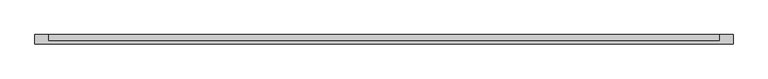
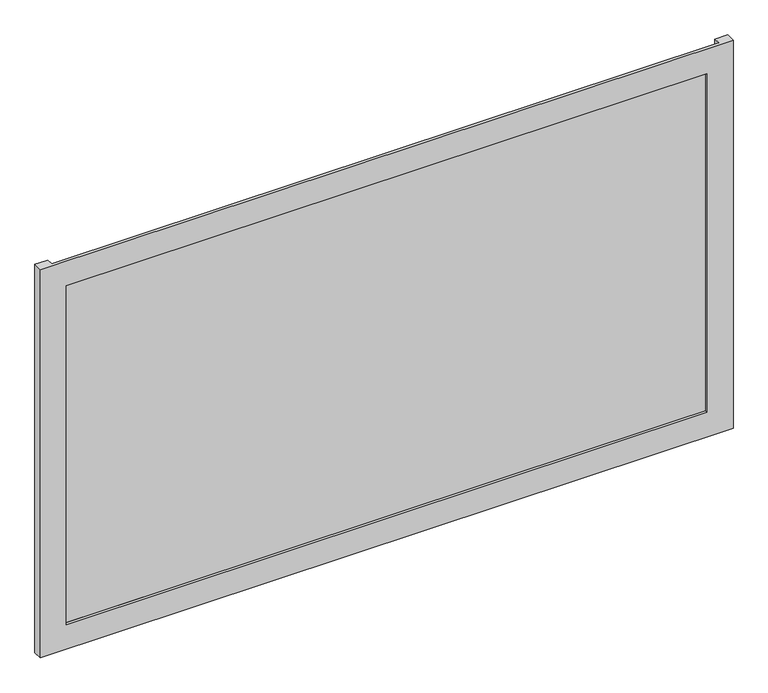
"""IFC4 building model written with IfcOpenShell, lengths in millimetres: plate geometry."""

from ifc_helpers import new_model, si_unit, origin, origin_with_axes, place, context, project, spatial, polyline, outline, extrude, faceted_brep, source, transform, mapped, element, save


def plate_e0fa243a(model_context):
    return source(origin(), model_context, "Body", "SolidModel", [
        faceted_brep([(662.5, -50.8, -50.0), (662.5, -68.2, -50.0), (-662.5, -68.2, -50.0), (-662.5, -50.8, -50.0), (-637.5, -50.8, -50.0), (-637.5, -63.2, -50.0), (637.5, -63.2, -50.0), (637.5, -50.8, -50.0), (612.5, -68.2, 0.0), (612.5, -63.2, 0.0), (-612.5, -63.2, 0.0), (-612.5, -68.2, 0.0), (662.5, -68.2, 735.0), (-662.5, -68.2, 735.0), (-612.5, -68.2, 685.0), (612.5, -68.2, 685.0), (-637.5, -63.2, 735.0), (637.5, -63.2, 735.0), (612.5, -63.2, 685.0), (-612.5, -63.2, 685.0), (662.5, -50.8, 735.0), (637.5, -50.8, 735.0), (-637.5, -50.8, 735.0), (-662.5, -50.8, 735.0)], [[[0, 1, 2, 3, 4, 5, 6, 7]], [[8, 9, 10, 11]], [[12, 13, 2, 1], [11, 14, 15, 8]], [[16, 17, 6, 5], [9, 18, 19, 10]], [[20, 21, 17, 16, 22, 23, 13, 12]], [[20, 0, 7, 21]], [[21, 7, 6, 17]], [[8, 15, 18, 9]], [[12, 1, 0, 20]], [[22, 4, 3, 23]], [[16, 5, 4, 22]], [[10, 19, 14, 11]], [[23, 3, 2, 13]], [[18, 15, 14, 19]]]),
        extrude(outline(polyline([(637.5, -50.8), (637.5, -63.2), (-637.5, -63.2), (-637.5, -50.8), (637.5, -50.8)])), origin_with_axes(), (0.0, 0.0, 1.0), 685.0),
    ])


if __name__ == "__main__":
    model = new_model("IFC4")
    model_context = context("Model", 3, world=origin())
    ifc_project = project(units=[si_unit("LENGTHUNIT", "METRE", prefix="MILLI")], contexts=[model_context])
    site = spatial("IfcSite", under=ifc_project)
    building = spatial("IfcBuilding", under=site)
    placement = place(None, origin())
    plate_shape = plate_e0fa243a(model_context)
    element("IfcPlate", 1, at=placement, inside=building, context=model_context, shape_type="MappedRepresentation", body=[
        mapped(plate_shape, transform((0.0, 0.0, 0.0), x_axis=(1.0, 0.0, 0.0), y_axis=(0.0, 1.0, 0.0), z_axis=(0.0, 0.0, 1.0))),
    ])
    save(model, "model.ifc")
